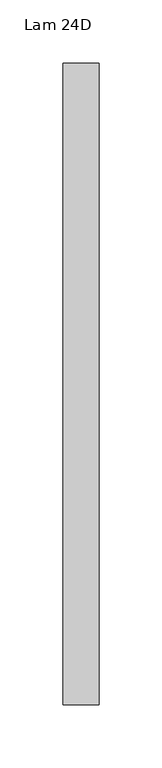
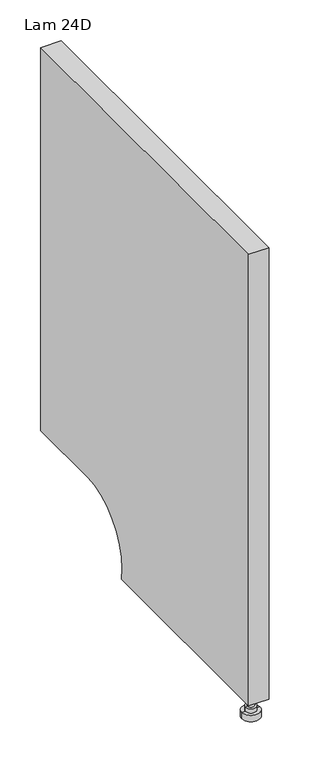
"""IFC4 building model written with IfcOpenShell, lengths in millimetres: furniture geometry, Lam 24D."""

from ifc_helpers import new_model, si_unit, point, frame, frame_2d, origin, place, context, project, spatial, polyline, circle_curve, trimmed, segment, composite_curve, outline, extrude, source, transform, mapped, element, save
from ifc_brep_helpers import plane_surface, cylinder_surface, advanced_brep


def lam_24d_d8e1e9d6(model_context):
    return source(origin(), model_context, "Body", "SolidModel", [
        extrude(outline(composite_curve([segment(polyline([(631.952, 704.85), (631.952, 133.35), (517.652, 133.35)]), True, "CONTINUOUS"), segment(trimmed(circle_curve(frame_2d((517.652, 49.0140625)), 84.3359375), [point((517.652, 133.35))], [point((435.102, 31.75))], True, "CARTESIAN"), True, "CONTINUOUS"), segment(polyline([(435.102, 31.75), (123.952, 31.75), (123.952, 704.85), (631.952, 704.85)]), True, "CONTINUOUS")], self_intersect=False)), frame((-419.89502, 0.0, 0.0), z_axis=(1.0, 0.0, 0.0), x_axis=(0.0, 1.0, 0.0)), (0.0, 0.0, 1.0), 28.575),
        advanced_brep(
        [(-413.22752, 143.002, 15.875), (-397.98752, 143.002, 15.875), (-400.84502, 143.002, 15.875), (-410.37002, 143.002, 15.875), (-413.22752, 143.002, 9.525), (-397.98752, 143.002, 9.525), (-418.30752, 143.002, 0.0), (-392.90752, 143.002, 0.0), (-392.90752, 143.002, 9.525), (-418.30752, 143.002, 9.525), (-405.60752, 143.002, 0.0), (-410.37002, 143.002, 31.75), (-400.84502, 143.002, 31.75), (-405.60752, 143.002, 31.75)],
        [
            (0, 1, circle_curve(frame((-405.60752, 143.002, 15.875), z_axis=(0.0, 0.0, 1.0), x_axis=(1.0, 0.0, 0.0)), 7.62)),
            (1, 2),
            (2, 3, circle_curve(frame((-405.60752, 143.002, 15.875), z_axis=(0.0, 0.0, -1.0), x_axis=(1.0, 0.0, 0.0)), 4.7625)),
            (3, 0),
            (1, 0, circle_curve(frame((-405.60752, 143.002, 15.875), z_axis=(0.0, 0.0, 1.0), x_axis=(1.0, 0.0, 0.0)), 7.62)),
            (3, 2, circle_curve(frame((-405.60752, 143.002, 15.875), z_axis=(0.0, 0.0, -1.0), x_axis=(1.0, 0.0, 0.0)), 4.7625)),
            (4, 5, circle_curve(frame((-405.60752, 143.002, 9.525), z_axis=(0.0, 0.0, 1.0), x_axis=(1.0, 0.0, 0.0)), 7.62)),
            (5, 1),
            (0, 4),
            (5, 4, circle_curve(frame((-405.60752, 143.002, 9.525), z_axis=(0.0, 0.0, 1.0), x_axis=(1.0, 0.0, 0.0)), 7.62)),
            (6, 7, circle_curve(frame((-405.60752, 143.002, 0.0), z_axis=(0.0, 0.0, 1.0), x_axis=(1.0, 0.0, 0.0)), 12.7)),
            (7, 8),
            (8, 9, circle_curve(frame((-405.60752, 143.002, 9.525), z_axis=(0.0, 0.0, -1.0), x_axis=(1.0, 0.0, 0.0)), 12.7)),
            (9, 6),
            (7, 6, circle_curve(frame((-405.60752, 143.002, 0.0), z_axis=(0.0, 0.0, 1.0), x_axis=(1.0, 0.0, 0.0)), 12.7)),
            (9, 8, circle_curve(frame((-405.60752, 143.002, 9.525), z_axis=(0.0, 0.0, -1.0), x_axis=(1.0, 0.0, 0.0)), 12.7)),
            (10, 7),
            (6, 10),
            (8, 5),
            (4, 9),
            (11, 12, circle_curve(frame((-405.60752, 143.002, 31.75), z_axis=(0.0, 0.0, 1.0), x_axis=(1.0, 0.0, 0.0)), 4.7625)),
            (12, 13),
            (13, 11),
            (12, 11, circle_curve(frame((-405.60752, 143.002, 31.75), z_axis=(0.0, 0.0, 1.0), x_axis=(1.0, 0.0, 0.0)), 4.7625)),
            (2, 12),
            (11, 3),
        ],
        [
            plane_surface(frame((-405.60752, 143.002, 15.875), z_axis=(0.0, 0.0, 1.0), x_axis=(1.0, 0.0, 0.0))),
            cylinder_surface(frame((-405.60752, 143.002, 35.439326), z_axis=(0.0, 0.0, -1.0), x_axis=(1.0, 0.0, 0.0)), 7.62),
            cylinder_surface(frame((-405.60752, 143.002, 35.439326), z_axis=(0.0, 0.0, -1.0), x_axis=(1.0, 0.0, 0.0)), 12.7),
            plane_surface(frame((-405.60752, 143.002, 0.0), z_axis=(0.0, 0.0, -1.0), x_axis=(1.0, 0.0, 0.0))),
            plane_surface(frame((-405.60752, 143.002, 9.525), z_axis=(0.0, 0.0, 1.0), x_axis=(1.0, 0.0, 0.0))),
            plane_surface(frame((-405.60752, 143.002, 31.75), z_axis=(0.0, 0.0, 1.0), x_axis=(1.0, 0.0, 0.0))),
            cylinder_surface(frame((-405.60752, 143.002, 35.439326), z_axis=(0.0, 0.0, -1.0), x_axis=(1.0, 0.0, 0.0)), 4.7625),
        ],
        [
            (0, [[1, 2, 3, 4]]),
            (0, [[5, -4, 6, -2]]),
            (1, [[7, 8, -1, 9]]),
            (1, [[10, -9, -5, -8]]),
            (2, [[11, 12, 13, 14]]),
            (2, [[15, -14, 16, -12]]),
            (3, [[17, -11, 18]]),
            (3, [[-18, -15, -17]]),
            (4, [[-13, 19, -7, 20]]),
            (4, [[-16, -20, -10, -19]]),
            (5, [[21, 22, 23]]),
            (5, [[24, -23, -22]]),
            (6, [[-3, 25, -21, 26]]),
            (6, [[-6, -26, -24, -25]]),
        ],
    ),
    ])


if __name__ == "__main__":
    model = new_model("IFC4")
    model_context = context("Model", 3, world=origin())
    ifc_project = project(units=[si_unit("LENGTHUNIT", "METRE", prefix="MILLI")], contexts=[model_context])
    site = spatial("IfcSite", under=ifc_project)
    building = spatial("IfcBuilding", under=site)
    placement = place(None, origin())
    lam_24d_shape = lam_24d_d8e1e9d6(model_context)
    element("IfcFurniture", 1, ObjectType="Lam 24D", at=placement, inside=building, context=model_context, shape_type="MappedRepresentation", body=[
        mapped(lam_24d_shape, transform((0.0, 0.0, 0.0), x_axis=(1.0, 0.0, 0.0), y_axis=(0.0, 1.0, 0.0), z_axis=(0.0, 0.0, 1.0))),
    ])
    save(model, "model.ifc")
